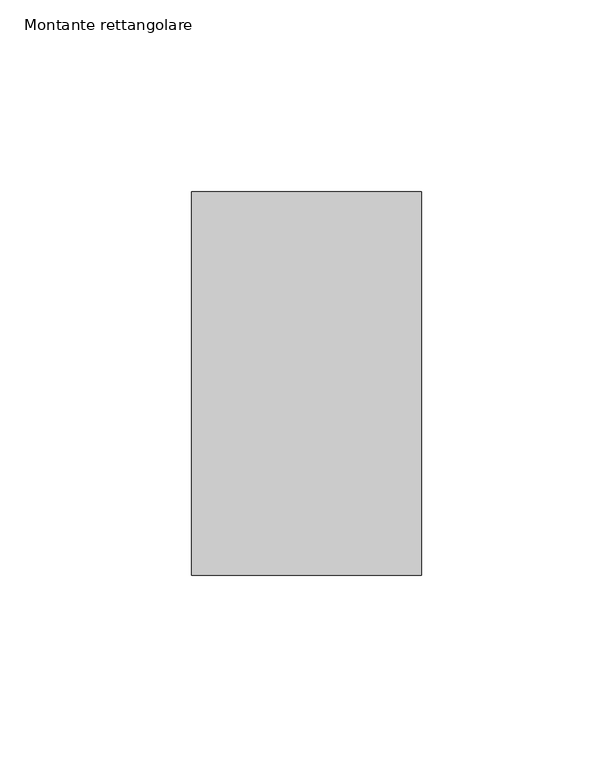
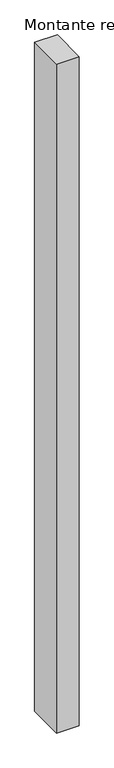
"""IFC4 building model written with IfcOpenShell, lengths in millimetres: member geometry, Montante rettangolare."""

from ifc_helpers import new_model, si_unit, frame, origin, place, context, project, spatial, polyline, outline, extrude, source, transform, mapped, element, save


def montante_rettangolare_df93fe33(model_context):
    return source(origin(), model_context, "Body", "SweptSolid", [
        extrude(outline(polyline([(0.0, 50.0), (0.0, -50.0), (-60.0, -50.0), (-60.0, 50.0), (0.0, 50.0)])), frame((0.0, 0.0, -1876.2402395), z_axis=(0.0, 0.0, 1.0), x_axis=(1.0, 0.0, 0.0)), (0.0, 0.0, 1.0), 1876.2402395),
    ])


if __name__ == "__main__":
    model = new_model("IFC4")
    model_context = context("Model", 3, world=origin())
    ifc_project = project(units=[si_unit("LENGTHUNIT", "METRE", prefix="MILLI")], contexts=[model_context])
    site = spatial("IfcSite", under=ifc_project)
    building = spatial("IfcBuilding", under=site)
    placement = place(None, origin())
    montante_rettangolare_shape = montante_rettangolare_df93fe33(model_context)
    element("IfcMember", 1, ObjectType="Montante rettangolare", at=placement, inside=building, context=model_context, shape_type="MappedRepresentation", body=[
        mapped(montante_rettangolare_shape, transform((0.0, 0.0, 0.0), x_axis=(1.0, 0.0, 0.0), y_axis=(0.0, 1.0, 0.0), z_axis=(0.0, 0.0, 1.0))),
    ])
    save(model, "model.ifc")
